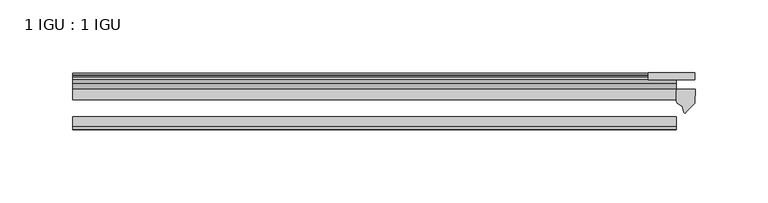
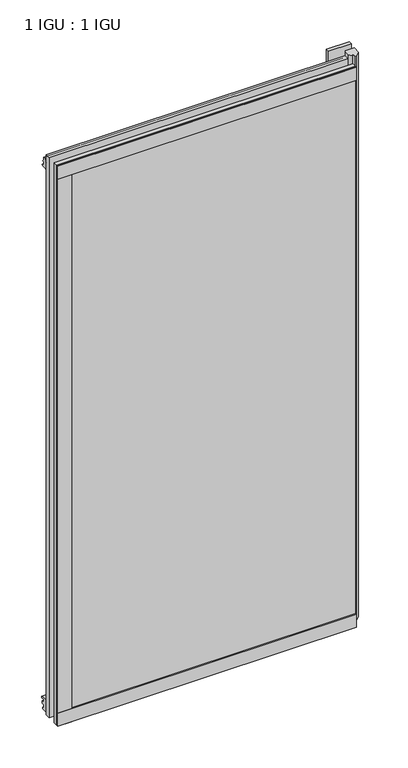
"""IFC4 building model written with IfcOpenShell, lengths in millimetres: plate geometry, 1 IGU : 1 IGU."""

from ifc_helpers import new_model, si_unit, point, frame, frame_2d, origin, place, context, project, spatial, polyline, circle_curve, trimmed, segment, composite_curve, outline, extrude, source, transform, mapped, element, save


def plate_1_igu_1_igu_ef642a4c(model_context):
    return source(origin(), model_context, "Body", "SweptSolid", [
        extrude(outline(polyline([(105.7683781, -11.6085937), (105.7683781, -18.8576359), (-307.9761906, -18.8576359), (-307.9761906, -11.6085937), (105.7683781, -11.6085937)])), frame((0.0, 0.0, -19.05), z_axis=(0.0, 0.0, 1.0), x_axis=(1.0, 0.0, 0.0)), (0.0, 0.0, 1.0), 819.1500001),
        extrude(outline(polyline([(-307.9761906, -30.7093937), (105.7683781, -30.7093937), (105.7683781, -37.0085937), (-307.9761906, -37.0085937), (-307.9761906, -30.7093937)])), frame((0.0, 0.0, -19.05), z_axis=(0.0, 0.0, 1.0), x_axis=(1.0, 0.0, 0.0)), (0.0, 0.0, 1.0), 819.1500001),
        extrude(outline(polyline([(86.7183781, -5.3578125), (86.7183781, -0.4960937), (118.4683781, -0.4960937), (118.4683781, -5.3578125), (86.7183781, -5.3578125)])), frame((0.0, 0.0, 781.0500001), z_axis=(0.0, 0.0, 1.0), x_axis=(1.0, 0.0, 0.0)), (0.0, 0.0, 1.0), 28.575),
        extrude(outline(composite_curve([segment(polyline([(118.8462873, -11.6101465), (118.4683781, -21.3502133), (112.5303249, -27.6095865)]), True, "CONTINUOUS"), segment(trimmed(circle_curve(frame_2d((111.8575188, -27.2518492)), 0.762), [point((112.5303249, -27.6095865))], [point((111.1288146, -27.4746364))], False, "CARTESIAN"), True, "CONTINUOUS"), segment(polyline([(111.1288146, -27.4746364), (109.86698, -23.3488397)]), True, "CONTINUOUS"), segment(trimmed(circle_curve(frame_2d((112.0489372, -16.3834724)), 7.2991286), [point((109.86698, -23.3488397))], [point((105.7685567, -20.1028944))], False, "CARTESIAN"), True, "CONTINUOUS"), segment(polyline([(105.7685567, -20.1028944), (105.7685567, -12.664425)]), True, "CONTINUOUS"), segment(trimmed(circle_curve(frame_2d((112.0498112, -16.3827796)), 7.2993369), [point((105.7685567, -12.664425))], [point((106.5269231, -11.6101465))], False, "CARTESIAN"), True, "CONTINUOUS"), segment(polyline([(106.5269231, -11.6101465), (118.8462873, -11.6101465)]), True, "CONTINUOUS")], self_intersect=False)), frame((0.0, 0.0, -19.05), z_axis=(0.0, 0.0, 1.0), x_axis=(1.0, 0.0, 0.0)), (0.0, 0.0, 1.0), 826.2874001),
        extrude(outline(polyline([(-11.6085937, -15.24), (-11.6085937, 2.8161565), (-0.5298609, 1.2591422), (-0.5298609, -0.6645794), (-5.258589, 0.0), (-5.258589, -4.826), (-1.575589, -4.826), (-1.575589, -7.874), (-5.258589, -7.874), (-5.258589, -13.208), (-3.099589, -13.208), (-3.099589, -15.24), (-11.6085937, -15.24)])), frame((-307.9761906, 0.0, 0.0), z_axis=(1.0, 0.0, 0.0), x_axis=(0.0, 1.0, 0.0)), (0.0, 0.0, 1.0), 413.7445688),
        extrude(outline(polyline([(-307.9761906, -39.2945937), (-307.9761906, -37.0085937), (105.7683781, -37.0085937), (105.7683781, -39.2945937), (-307.9761906, -39.2945937)])), frame((0.0, 0.0, -19.05), z_axis=(0.0, 0.0, 1.0), x_axis=(1.0, 0.0, 0.0)), (0.0, 0.0, 1.0), 19.05),
        extrude(outline(composite_curve([segment(trimmed(circle_curve(frame_2d((-6.5285937, 792.521876)), 1.27), [point((-7.4547667, 793.390843))], [point((-5.2585937, 792.521876))], False, "CARTESIAN"), True, "CONTINUOUS"), segment(polyline([(-5.2585937, 792.521876), (-5.2585937, 789.3050001), (-3.3544944, 786.6297863), (-5.2585937, 786.284551), (-5.2585937, 781.0500001), (-2.385052, 781.0500001)]), True, "CONTINUOUS"), segment(trimmed(circle_curve(frame_2d((-3.2589487, 780.5317718)), 1.016), [point((-2.385052, 781.0500001))], [point((-3.236916, 779.5160107))], False, "CARTESIAN"), True, "CONTINUOUS"), segment(trimmed(circle_curve(frame_2d((-2.5575611, 748.1961025)), 31.3272753), [point((-3.236916, 779.5160107))], [point((-11.6085937, 778.1873843))], True, "CARTESIAN"), True, "CONTINUOUS"), segment(polyline([(-11.6085937, 778.1873843), (-11.6085937, 788.9635609), (-7.4547667, 793.390843)]), True, "CONTINUOUS")], self_intersect=False)), frame((-307.9761906, 0.0, 0.0), z_axis=(1.0, 0.0, 0.0), x_axis=(0.0, 1.0, 0.0)), (0.0, 0.0, 1.0), 413.7445688),
        extrude(outline(polyline([(-307.9761906, -39.2945937), (-307.9761906, -37.0085937), (105.7683781, -37.0085937), (105.7683781, -39.2945937), (-307.9761906, -39.2945937)])), frame((0.0, 0.0, 781.0500001), z_axis=(0.0, 0.0, 1.0), x_axis=(1.0, 0.0, 0.0)), (0.0, 0.0, 1.0), 19.05),
        extrude(outline(polyline([(-307.9761906, -39.2945937), (-307.9761906, -37.0085937), (-288.9261906, -37.0085937), (-288.9261906, -39.2945937), (-307.9761906, -39.2945937)])), frame((0.0, 0.0, -19.05), z_axis=(0.0, 0.0, 1.0), x_axis=(1.0, 0.0, 0.0)), (0.0, 0.0, 1.0), 819.1500001),
    ])


if __name__ == "__main__":
    model = new_model("IFC4")
    model_context = context("Model", 3, world=origin())
    ifc_project = project(units=[si_unit("LENGTHUNIT", "METRE", prefix="MILLI")], contexts=[model_context])
    site = spatial("IfcSite", under=ifc_project)
    building = spatial("IfcBuilding", under=site)
    placement = place(None, origin())
    plate_1_igu_1_igu_shape = plate_1_igu_1_igu_ef642a4c(model_context)
    element("IfcPlate", 1, ObjectType="1 IGU : 1 IGU", at=placement, inside=building, context=model_context, shape_type="MappedRepresentation", body=[
        mapped(plate_1_igu_1_igu_shape, transform((0.0, 0.0, 0.0), x_axis=(1.0, 0.0, 0.0), y_axis=(0.0, 1.0, 0.0), z_axis=(0.0, 0.0, 1.0))),
    ])
    save(model, "model.ifc")
